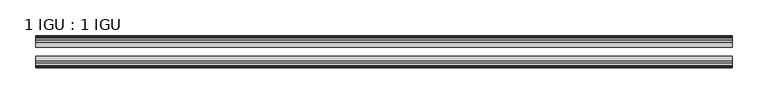
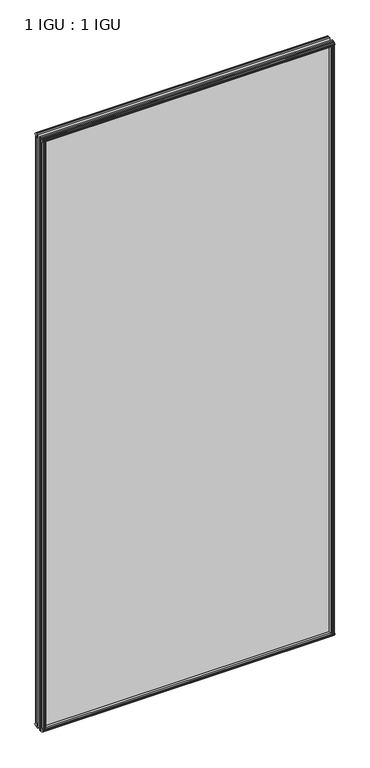
"""IFC4 building model written with IfcOpenShell, lengths in millimetres: plate geometry, 1 IGU : 1 IGU."""

import ifcopenshell
import ifcopenshell.guid

model = None  # the IFC model being written
_history = None  # IfcOwnerHistory: only IFC2X3 demands one
_inside = {}  # id of a spatial element -> (the spatial element, [elements in it])
_under = {}  # id of a project, library or spatial element -> (it, [spatial elements below it])
_declared = {}  # id of a project -> (the project, [libraries it declares])
_typed = {}  # id of a type object -> (the type object, [elements of that type])
_made_of = {}  # id of a material, layer set ... -> (it, [elements and type objects made of it])


def new_model(schema):
    """Start an empty IFC model of exactly this schema.

    Asked for "IFC4X3", IfcOpenShell would pick the latest addendum, in which some entities
    have other attributes; the version numbers below select the first issue.
    IFC2X3 requires an IfcOwnerHistory on every rooted entity: one is made here for all.
    """
    global model, _history
    if schema == "IFC4X3":
        model = ifcopenshell.file(schema_version=(4, 3, 0, 0))
    else:
        model = ifcopenshell.file(schema=schema)
    _inside.clear()
    _under.clear()
    _declared.clear()
    _typed.clear()
    _made_of.clear()
    _history = None
    if model.schema == "IFC2X3":
        org = make("IfcOrganization", Name="unknown")
        user = make(
            "IfcPersonAndOrganization",
            ThePerson=make("IfcPerson", FamilyName="unknown"),
            TheOrganization=org,
        )
        app = make(
            "IfcApplication",
            ApplicationDeveloper=org,
            Version="unknown",
            ApplicationFullName="unknown",
            ApplicationIdentifier="unknown",
        )
        _history = make(
            "IfcOwnerHistory",
            OwningUser=user,
            OwningApplication=app,
            ChangeAction="ADDED",
            CreationDate=0,
        )
    return model


def make(cls, **values):
    """One entity of the class cls with the attributes given. An attribute that is None is left unset."""
    return model.create_entity(
        cls, **{name: value for name, value in values.items() if value is not None}
    )


def rooted(cls, **values):
    """An entity with a GlobalId (a new one), such as an element, a storey or a relation."""
    return make(cls, GlobalId=ifcopenshell.guid.new(), OwnerHistory=_history, **values)


def si_unit(unit_type, name, prefix=None):
    """IfcSIUnit, for example si_unit("LENGTHUNIT", "METRE", prefix="MILLI")."""
    return make("IfcSIUnit", UnitType=unit_type, Prefix=prefix, Name=name)


def assignment(units):
    """IfcUnitAssignment: the units of a project."""
    return None if units is None else make("IfcUnitAssignment", Units=units)


def point(xyz):
    """IfcCartesianPoint."""
    return None if xyz is None else make("IfcCartesianPoint", Coordinates=xyz)


def direction(xyz):
    """IfcDirection."""
    return None if xyz is None else make("IfcDirection", DirectionRatios=xyz)


def frame(location, z_axis=None, x_axis=None):
    """IfcAxis2Placement3D, a coordinate frame: its origin and axes. An axis left out is left unset."""
    return make(
        "IfcAxis2Placement3D",
        Location=point(location),
        Axis=direction(z_axis),
        RefDirection=direction(x_axis),
    )


def origin():
    """The frame at (0, 0, 0) with its axes left unset."""
    return frame((0.0, 0.0, 0.0))


def origin_with_axes():
    """The frame at (0, 0, 0) with the z axis (0, 0, 1) and the x axis (1, 0, 0) written out."""
    return frame((0.0, 0.0, 0.0), z_axis=(0.0, 0.0, 1.0), x_axis=(1.0, 0.0, 0.0))


def place(relative_to, where):
    """IfcLocalPlacement: puts the frame where relative to a parent placement (None: the world)."""
    return make(
        "IfcLocalPlacement", PlacementRelTo=relative_to, RelativePlacement=where
    )


def context(
    kind, dimensions, precision=None, world=None, true_north=None, identifier=None
):
    """IfcGeometricRepresentationContext, for example the 3D "Model" context."""
    return make(
        "IfcGeometricRepresentationContext",
        ContextIdentifier=identifier,
        ContextType=kind,
        CoordinateSpaceDimension=dimensions,
        Precision=precision,
        WorldCoordinateSystem=world,
        TrueNorth=true_north,
    )


def project(units=None, contexts=None):
    """IfcProject with its units and contexts."""
    return rooted(
        "IfcProject",
        Name="project",
        RepresentationContexts=contexts,
        UnitsInContext=assignment(units),
    )


def spatial(cls, under=None, at=None, **own):
    """A site, building, storey or space (cls), placed at a placement, below another one or the project."""
    s = rooted(cls, ObjectPlacement=at, **own)
    if under is not None:
        _under.setdefault(under.id(), (under, []))[1].append(s)
    return s


def polyline(points):
    """IfcPolyline through the points."""
    return make("IfcPolyline", Points=[point(p) for p in points])


def outline(outer, holes=None, kind="AREA"):
    """IfcArbitraryClosedProfileDef: a profile drawn as a closed curve; with holes, ...WithVoids."""
    if holes is None:
        return make("IfcArbitraryClosedProfileDef", ProfileType=kind, OuterCurve=outer)
    return make(
        "IfcArbitraryProfileDefWithVoids",
        ProfileType=kind,
        OuterCurve=outer,
        InnerCurves=holes,
    )


def extrude(swept, where, along, depth):
    """IfcExtrudedAreaSolid: the profile swept, set in the frame where, extruded along a direction by depth."""
    return make(
        "IfcExtrudedAreaSolid",
        SweptArea=swept,
        Position=where,
        ExtrudedDirection=direction(along),
        Depth=depth,
    )


def shape(context_of_items, identifier, shape_type, items):
    """IfcShapeRepresentation: the items that make up one representation, for example the "Body"."""
    return make(
        "IfcShapeRepresentation",
        ContextOfItems=context_of_items,
        RepresentationIdentifier=identifier,
        RepresentationType=shape_type,
        Items=items,
    )


def source(mapping_origin, context_of_items, identifier, shape_type, items):
    """IfcRepresentationMap: a shape defined once, which mapped items show again and again."""
    return make(
        "IfcRepresentationMap",
        MappingOrigin=mapping_origin,
        MappedRepresentation=shape(context_of_items, identifier, shape_type, items),
    )


def transform(
    local_origin,
    x_axis=None,
    y_axis=None,
    z_axis=None,
    scale=None,
    scale2=None,
    scale3=None,
    uniform=True,
):
    """IfcCartesianTransformationOperator3D, or its non-uniform kind. x_axis, y_axis, z_axis: its Axis1, 2, 3."""
    if uniform:
        return make(
            "IfcCartesianTransformationOperator3D",
            Axis1=direction(x_axis),
            Axis2=direction(y_axis),
            LocalOrigin=point(local_origin),
            Scale=scale,
            Axis3=direction(z_axis),
        )
    return make(
        "IfcCartesianTransformationOperator3DnonUniform",
        Axis1=direction(x_axis),
        Axis2=direction(y_axis),
        LocalOrigin=point(local_origin),
        Scale=scale,
        Axis3=direction(z_axis),
        Scale2=scale2,
        Scale3=scale3,
    )


def mapped(mapping_source, mapping_target):
    """IfcMappedItem: shows the shape of a source again, moved by a transform."""
    return make(
        "IfcMappedItem", MappingSource=mapping_source, MappingTarget=mapping_target
    )


def made_of(thing, what):
    """Note that an element or type object is made of a material, layer set ...; save() writes the relation."""
    if what is not None:
        _made_of.setdefault(what.id(), (what, []))[1].append(thing)
    return thing


def element(
    cls,
    number,
    at=None,
    inside=None,
    cuts=None,
    type_object=None,
    material=None,
    context=None,
    identifier="Body",
    shape_type=None,
    held_by="IfcProductDefinitionShape",
    body=None,
    shapes=None,
    **own,
):
    """One element of the class cls, such as IfcWall. Its Tag is "e" and its number.

    at: its placement. inside: the storey or other place that contains it. cuts: it is an
    opening in that element (IfcRelVoidsElement). A single representation is given by context,
    identifier, shape_type and body (its items); several are given by shapes. held_by: the class
    of the entity that holds the representations. save() writes the other relations.
    """
    e = rooted(cls, Tag="e%d" % number, ObjectPlacement=at, **own)
    if body is not None:
        shapes = [shape(context, identifier, shape_type, body)]
    if shapes is not None:
        e.Representation = make(held_by, Representations=shapes)
    if inside is not None:
        _inside.setdefault(inside.id(), (inside, []))[1].append(e)
    if cuts is not None:
        rooted(
            "IfcRelVoidsElement", RelatingBuildingElement=cuts, RelatedOpeningElement=e
        )
    if type_object is not None:
        _typed.setdefault(type_object.id(), (type_object, []))[1].append(e)
    return made_of(e, material)


def aggregate(whole, parts):
    """IfcRelAggregates: a whole, such as a stair, and the parts it consists of."""
    return rooted("IfcRelAggregates", RelatingObject=whole, RelatedObjects=parts)


def save(model, path):
    """Write the relations noted so far, then the file.

    IfcRelAggregates (storeys below a building ...), IfcRelContainedInSpatialStructure (elements
    in a storey), IfcRelDefinesByType, IfcRelAssociatesMaterial and IfcRelDeclares: one each for
    every whole, place, type object, material and project.
    """
    for whole, parts in _under.values():
        aggregate(whole, parts)
    for where, things in _inside.values():
        rooted(
            "IfcRelContainedInSpatialStructure",
            RelatedElements=things,
            RelatingStructure=where,
        )
    for kind, things in _typed.values():
        rooted("IfcRelDefinesByType", RelatedObjects=things, RelatingType=kind)
    for what, things in _made_of.values():
        rooted("IfcRelAssociatesMaterial", RelatedObjects=things, RelatingMaterial=what)
    for by, libraries in _declared.values():
        rooted("IfcRelDeclares", RelatingContext=by, RelatedDefinitions=libraries)
    model.write(path)


def plate_1_igu_1_igu_d1e7320f(model_context):
    return source(origin(), model_context, "Body", "SweptSolid", [
        extrude(outline(polyline([(474.6215546, -19.5460937), (476.7268317, -13.1960937), (481.9340261, -13.1960937), (482.3150261, -10.8158968), (480.8994971, -11.27583), (480.8994971, -10.4746158), (483.0770261, -9.7670937), (485.2545552, -10.4746158), (485.2545552, -11.27583), (483.8390261, -10.8158968), (484.2200261, -13.1960937), (488.6650261, -13.1960937), (488.6650261, -16.1419073), (486.4519486, -19.5460937), (474.6215546, -19.5460937)])), origin_with_axes(), (0.0, 0.0, 1.0), 2070.1),
        extrude(outline(polyline([(-474.6215546, -19.5460937), (-486.4519486, -19.5460937), (-488.6650261, -16.1419073), (-488.6650261, -13.1960937), (-484.2200261, -13.1960937), (-483.8390261, -10.8158968), (-485.2545552, -11.27583), (-485.2545552, -10.4746158), (-483.0770261, -9.7670937), (-480.8994971, -10.4746158), (-480.8994971, -11.27583), (-482.3150261, -10.8158968), (-481.9340261, -13.1960937), (-476.7268317, -13.1960937), (-474.6215546, -19.5460937)])), origin_with_axes(), (0.0, 0.0, 1.0), 2070.1),
        extrude(outline(polyline([(-16.1419073, -12.4576852), (-19.5460937, -10.2446077), (-19.5460937, 1.5857863), (-13.1960937, -0.5194908), (-13.1960937, -5.7266852), (-10.8158968, -6.1076852), (-11.27583, -4.6921562), (-10.4746158, -4.6921562), (-9.7670937, -6.8696852), (-10.4746158, -9.0472143), (-11.27583, -9.0472143), (-10.8158968, -7.6316852), (-13.1960937, -8.0126852), (-13.1960937, -12.4576852), (-16.1419073, -12.4576852)])), frame((-488.9073409, 0.0, 0.0), z_axis=(1.0, 0.0, 0.0), x_axis=(0.0, 1.0, 0.0)), (0.0, 0.0, 1.0), 977.8146818),
        extrude(outline(polyline([(-48.3502802, -11.938), (-51.2960937, -11.938), (-51.2960937, -7.493), (-53.6762907, -7.112), (-53.2163575, -8.5275291), (-54.0175717, -8.5275291), (-54.7250937, -6.35), (-54.0175717, -4.172471), (-53.2163575, -4.172471), (-53.6762907, -5.588), (-51.2960937, -5.207), (-51.2960937, 0.0001944), (-44.9460937, 2.1054715), (-44.9460937, -9.7249225), (-48.3502802, -11.938)])), frame((-488.9073409, 0.0, 0.0), z_axis=(1.0, 0.0, 0.0), x_axis=(0.0, 1.0, 0.0)), (0.0, 0.0, 1.0), 977.8146818),
        extrude(outline(polyline([(-16.1028367, 2082.5576852), (-13.1960937, 2082.5576852), (-13.1960937, 2078.1126852), (-10.8158968, 2077.7316852), (-11.27583, 2079.1472143), (-10.4746158, 2079.1472143), (-9.7670937, 2076.9696852), (-10.4746158, 2074.7921562), (-11.27583, 2074.7921562), (-10.8158968, 2076.2076852), (-13.1960937, 2075.8266852), (-13.1960937, 2070.5940908), (-19.5460937, 2068.4888137), (-19.5460937, 2080.3192077), (-16.1028367, 2082.5576852)])), frame((-488.9073409, 0.0, 0.0), z_axis=(1.0, 0.0, 0.0), x_axis=(0.0, 1.0, 0.0)), (0.0, 0.0, 1.0), 977.8146818),
        extrude(outline(polyline([(-48.3893508, 2082.0126), (-44.9460937, 2079.7741225), (-44.9460937, 2067.9437285), (-51.2960937, 2070.0490056), (-51.2960937, 2075.2816), (-53.6762907, 2075.6626), (-53.2163575, 2074.2470709), (-54.0175717, 2074.2470709), (-54.7250938, 2076.4246), (-54.0175717, 2078.602129), (-53.2163575, 2078.602129), (-53.6762907, 2077.1866), (-51.2960937, 2077.5676), (-51.2960937, 2082.0126), (-48.3893508, 2082.0126)])), frame((-488.9073409, 0.0, 0.0), z_axis=(1.0, 0.0, 0.0), x_axis=(0.0, 1.0, 0.0)), (0.0, 0.0, 1.0), 977.8146818),
        extrude(outline(polyline([(-474.1018694, -44.9460938), (-476.2071465, -51.2960938), (-481.4143409, -51.2960938), (-481.7953409, -53.6762907), (-480.3798119, -53.2163575), (-480.3798119, -54.0175717), (-482.5573409, -54.7250938), (-484.73487, -54.0175717), (-484.73487, -53.2163575), (-483.3193409, -53.6762907), (-483.7003409, -51.2960938), (-488.1453409, -51.2960938), (-488.1453409, -48.3502802), (-485.9322634, -44.9460938), (-474.1018694, -44.9460938)])), origin_with_axes(), (0.0, 0.0, 1.0), 2070.1),
        extrude(outline(polyline([(474.1018694, -44.9460938), (485.9322634, -44.9460938), (488.1453409, -48.3502802), (488.1453409, -51.2960938), (483.7003409, -51.2960938), (483.3193409, -53.6762907), (484.73487, -53.2163575), (484.73487, -54.0175717), (482.5573409, -54.7250938), (480.3798119, -54.0175717), (480.3798119, -53.2163575), (481.7953409, -53.6762907), (481.4143409, -51.2960938), (476.2071465, -51.2960938), (474.1018694, -44.9460938)])), origin_with_axes(), (0.0, 0.0, 1.0), 2070.1),
        extrude(outline(polyline([(488.9073409, -19.5460937), (488.9073409, -25.8337453), (-488.9073409, -25.8337453), (-488.9073409, -19.5460937), (488.9073409, -19.5460937)])), frame((0.0, 0.0, -12.7), z_axis=(0.0, 0.0, 1.0), x_axis=(1.0, 0.0, 0.0)), (0.0, 0.0, 1.0), 2095.4872998),
        extrude(outline(polyline([(-488.9073409, -44.9460937), (-488.9073409, -38.6468938), (488.9073409, -38.6468938), (488.9073409, -44.9460937), (-488.9073409, -44.9460937)])), frame((0.0, 0.0, -12.7), z_axis=(0.0, 0.0, 1.0), x_axis=(1.0, 0.0, 0.0)), (0.0, 0.0, 1.0), 2095.4872998),
    ])


if __name__ == "__main__":
    model = new_model("IFC4")
    model_context = context("Model", 3, world=origin())
    ifc_project = project(units=[si_unit("LENGTHUNIT", "METRE", prefix="MILLI")], contexts=[model_context])
    site = spatial("IfcSite", under=ifc_project)
    building = spatial("IfcBuilding", under=site)
    placement = place(None, origin())
    plate_1_igu_1_igu_shape = plate_1_igu_1_igu_d1e7320f(model_context)
    element("IfcPlate", 1, ObjectType="1 IGU : 1 IGU", at=placement, inside=building, context=model_context, shape_type="MappedRepresentation", body=[
        mapped(plate_1_igu_1_igu_shape, transform((0.0, 0.0, 0.0), x_axis=(1.0, 0.0, 0.0), y_axis=(0.0, 1.0, 0.0), z_axis=(0.0, 0.0, 1.0))),
    ])
    save(model, "model.ifc")
